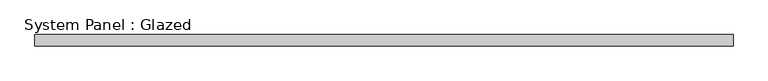
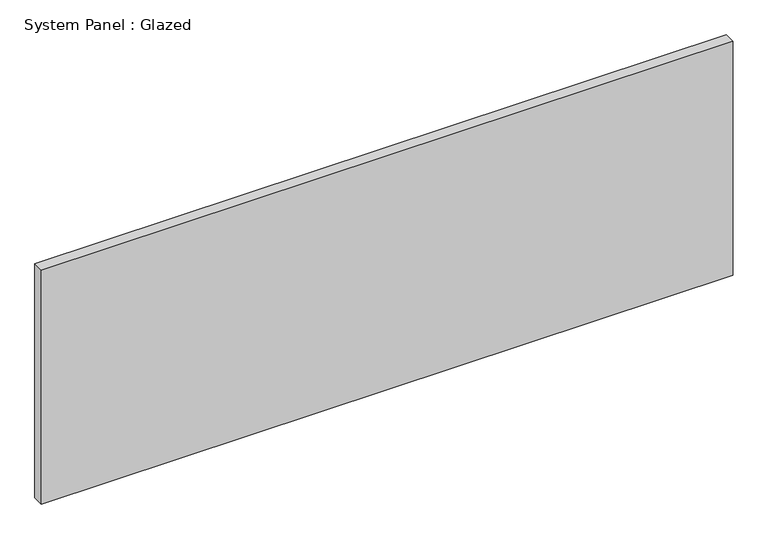
"""IFC4 building model written with IfcOpenShell, lengths in millimetres: plate geometry, System Panel : Glazed."""

from ifc_helpers import new_model, si_unit, origin, origin_with_axes, place, context, project, spatial, polyline, outline, extrude, source, transform, mapped, element, save


def system_panel_glazed_30ae4ba8(model_context):
    return source(origin(), model_context, "Body", "SweptSolid", [
        extrude(outline(polyline([(782.32, -12.7), (-782.32, -12.7), (-782.32, 12.7), (782.32, 12.7), (782.32, -12.7)])), origin_with_axes(), (0.0, 0.0, 1.0), 558.8),
    ])


if __name__ == "__main__":
    model = new_model("IFC4")
    model_context = context("Model", 3, world=origin())
    ifc_project = project(units=[si_unit("LENGTHUNIT", "METRE", prefix="MILLI")], contexts=[model_context])
    site = spatial("IfcSite", under=ifc_project)
    building = spatial("IfcBuilding", under=site)
    placement = place(None, origin())
    system_panel_glazed_shape = system_panel_glazed_30ae4ba8(model_context)
    element("IfcPlate", 1, ObjectType="System Panel : Glazed", at=placement, inside=building, context=model_context, shape_type="MappedRepresentation", body=[
        mapped(system_panel_glazed_shape, transform((0.0, 0.0, 0.0), x_axis=(1.0, 0.0, 0.0), y_axis=(0.0, 1.0, 0.0), z_axis=(0.0, 0.0, 1.0))),
    ])
    save(model, "model.ifc")
